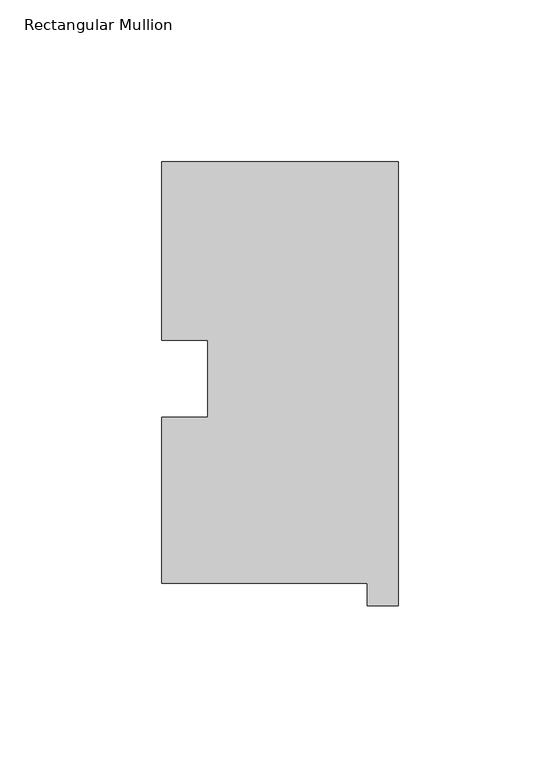
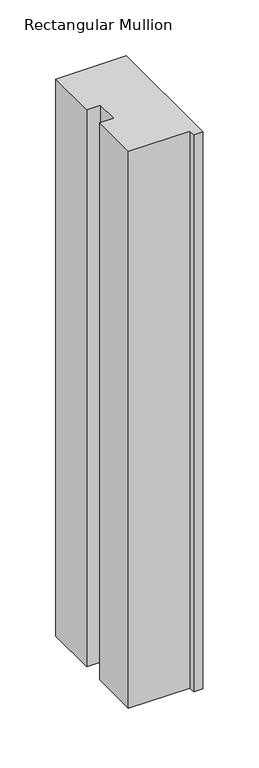
"""IFC4 building model written with IfcOpenShell, lengths in millimetres: member geometry, Rectangular Mullion."""

from ifc_helpers import new_model, si_unit, frame, origin, place, context, project, spatial, polyline, outline, extrude, source, transform, mapped, element, save


def rectangular_mullion_4492b423(model_context):
    return source(origin(), model_context, "Body", "SweptSolid", [
        extrude(outline(polyline([(-73.025, 130.56235), (0.0, 130.56235), (0.0, -6.64845), (-9.525, -6.64845), (-9.525, 0.26035), (-73.025, 0.26035), (-73.025, 51.60645), (-58.785125, 51.60645), (-58.785125, 75.40625), (-73.025, 75.40625), (-73.025, 130.56235)])), frame((0.0, 0.0, -609.6), z_axis=(0.0, 0.0, 1.0), x_axis=(1.0, 0.0, 0.0)), (0.0, 0.0, 1.0), 609.6),
    ])


if __name__ == "__main__":
    model = new_model("IFC4")
    model_context = context("Model", 3, world=origin())
    ifc_project = project(units=[si_unit("LENGTHUNIT", "METRE", prefix="MILLI")], contexts=[model_context])
    site = spatial("IfcSite", under=ifc_project)
    building = spatial("IfcBuilding", under=site)
    placement = place(None, origin())
    rectangular_mullion_shape = rectangular_mullion_4492b423(model_context)
    element("IfcMember", 1, ObjectType="Rectangular Mullion", at=placement, inside=building, context=model_context, shape_type="MappedRepresentation", body=[
        mapped(rectangular_mullion_shape, transform((0.0, 0.0, 0.0), x_axis=(1.0, 0.0, 0.0), y_axis=(0.0, 1.0, 0.0), z_axis=(0.0, 0.0, 1.0))),
    ])
    save(model, "model.ifc")
